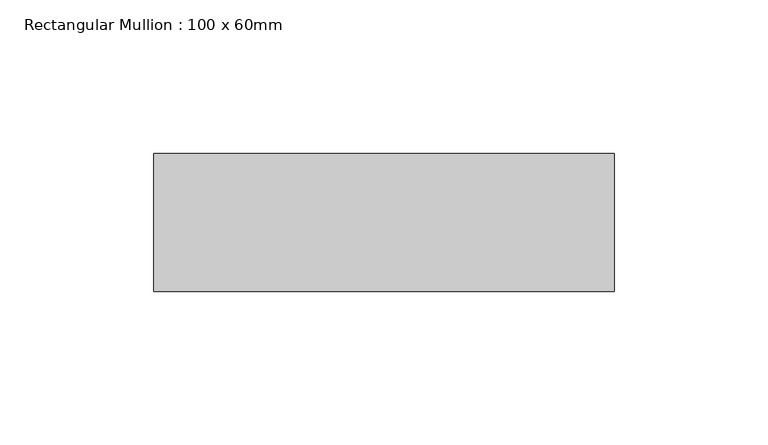
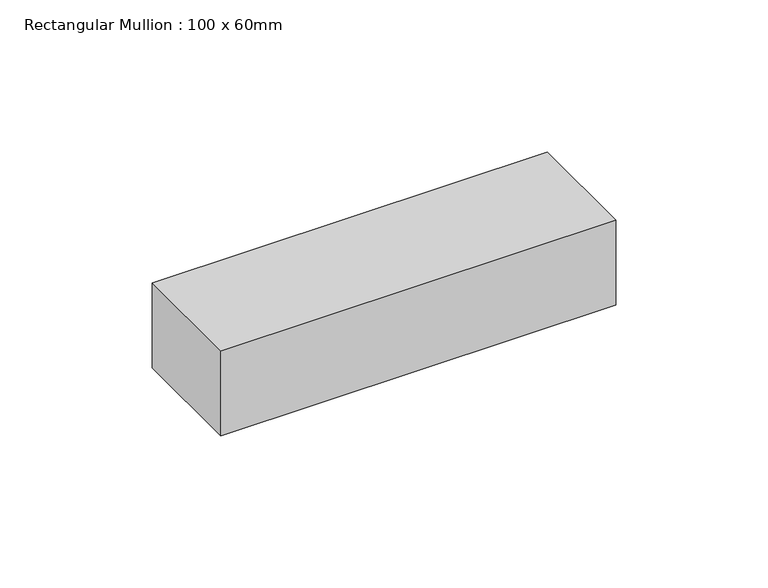
"""IFC4 building model written with IfcOpenShell, lengths in millimetres: member geometry, Rectangular Mullion : 100 x 60mm."""

from ifc_helpers import new_model, si_unit, frame, origin, place, context, project, spatial, polyline, outline, extrude, source, transform, mapped, element, save


def rectangular_mullion_100_x_60mm_dded88a0(model_context):
    return source(origin(), model_context, "Body", "SweptSolid", [
        extrude(outline(polyline([(-150.0, -30.0), (-150.0, 15.0), (0.0, 15.0), (0.0, -30.0), (-150.0, -30.0)])), frame((0.0, 0.0, -34.112237), z_axis=(0.0, 0.0, 1.0), x_axis=(1.0, 0.0, 0.0)), (0.0, 0.0, 1.0), 34.112237),
    ])


if __name__ == "__main__":
    model = new_model("IFC4")
    model_context = context("Model", 3, world=origin())
    ifc_project = project(units=[si_unit("LENGTHUNIT", "METRE", prefix="MILLI")], contexts=[model_context])
    site = spatial("IfcSite", under=ifc_project)
    building = spatial("IfcBuilding", under=site)
    placement = place(None, origin())
    rectangular_mullion_100_x_60mm_shape = rectangular_mullion_100_x_60mm_dded88a0(model_context)
    element("IfcMember", 1, ObjectType="Rectangular Mullion : 100 x 60mm", at=placement, inside=building, context=model_context, shape_type="MappedRepresentation", body=[
        mapped(rectangular_mullion_100_x_60mm_shape, transform((0.0, 0.0, 0.0), x_axis=(1.0, 0.0, 0.0), y_axis=(0.0, 1.0, 0.0), z_axis=(0.0, 0.0, 1.0))),
    ])
    save(model, "model.ifc")
